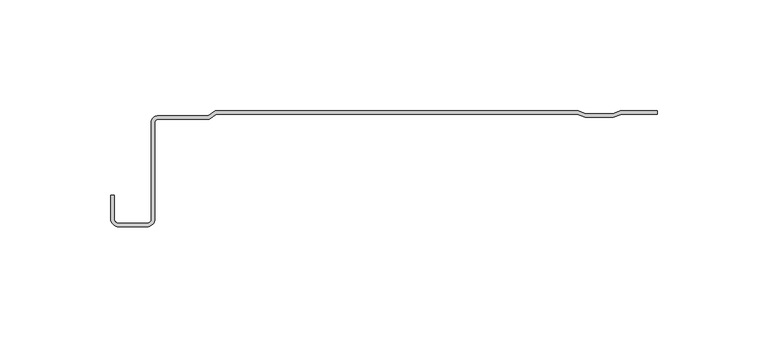
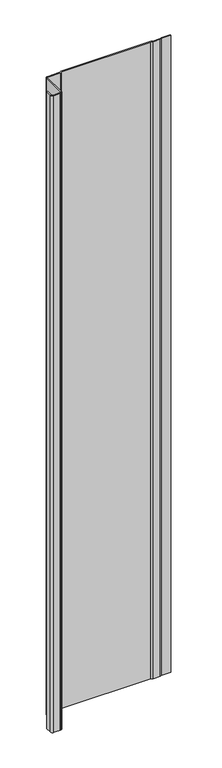
"""IFC4 building model written with IfcOpenShell, lengths in millimetres: plate geometry."""

import ifcopenshell
import ifcopenshell.guid

model = None  # the IFC model being written
_history = None  # IfcOwnerHistory: only IFC2X3 demands one
_inside = {}  # id of a spatial element -> (the spatial element, [elements in it])
_under = {}  # id of a project, library or spatial element -> (it, [spatial elements below it])
_declared = {}  # id of a project -> (the project, [libraries it declares])
_typed = {}  # id of a type object -> (the type object, [elements of that type])
_made_of = {}  # id of a material, layer set ... -> (it, [elements and type objects made of it])


def new_model(schema):
    """Start an empty IFC model of exactly this schema.

    Asked for "IFC4X3", IfcOpenShell would pick the latest addendum, in which some entities
    have other attributes; the version numbers below select the first issue.
    IFC2X3 requires an IfcOwnerHistory on every rooted entity: one is made here for all.
    """
    global model, _history
    if schema == "IFC4X3":
        model = ifcopenshell.file(schema_version=(4, 3, 0, 0))
    else:
        model = ifcopenshell.file(schema=schema)
    _inside.clear()
    _under.clear()
    _declared.clear()
    _typed.clear()
    _made_of.clear()
    _history = None
    if model.schema == "IFC2X3":
        org = make("IfcOrganization", Name="unknown")
        user = make(
            "IfcPersonAndOrganization",
            ThePerson=make("IfcPerson", FamilyName="unknown"),
            TheOrganization=org,
        )
        app = make(
            "IfcApplication",
            ApplicationDeveloper=org,
            Version="unknown",
            ApplicationFullName="unknown",
            ApplicationIdentifier="unknown",
        )
        _history = make(
            "IfcOwnerHistory",
            OwningUser=user,
            OwningApplication=app,
            ChangeAction="ADDED",
            CreationDate=0,
        )
    return model


def make(cls, **values):
    """One entity of the class cls with the attributes given. An attribute that is None is left unset."""
    return model.create_entity(
        cls, **{name: value for name, value in values.items() if value is not None}
    )


def rooted(cls, **values):
    """An entity with a GlobalId (a new one), such as an element, a storey or a relation."""
    return make(cls, GlobalId=ifcopenshell.guid.new(), OwnerHistory=_history, **values)


def si_unit(unit_type, name, prefix=None):
    """IfcSIUnit, for example si_unit("LENGTHUNIT", "METRE", prefix="MILLI")."""
    return make("IfcSIUnit", UnitType=unit_type, Prefix=prefix, Name=name)


def assignment(units):
    """IfcUnitAssignment: the units of a project."""
    return None if units is None else make("IfcUnitAssignment", Units=units)


def point(xyz):
    """IfcCartesianPoint."""
    return None if xyz is None else make("IfcCartesianPoint", Coordinates=xyz)


def direction(xyz):
    """IfcDirection."""
    return None if xyz is None else make("IfcDirection", DirectionRatios=xyz)


def frame(location, z_axis=None, x_axis=None):
    """IfcAxis2Placement3D, a coordinate frame: its origin and axes. An axis left out is left unset."""
    return make(
        "IfcAxis2Placement3D",
        Location=point(location),
        Axis=direction(z_axis),
        RefDirection=direction(x_axis),
    )


def frame_2d(location, x_axis=None):
    """IfcAxis2Placement2D, a coordinate frame in the plane: its origin and x axis."""
    return make(
        "IfcAxis2Placement2D", Location=point(location), RefDirection=direction(x_axis)
    )


def origin():
    """The frame at (0, 0, 0) with its axes left unset."""
    return frame((0.0, 0.0, 0.0))


def origin_with_axes():
    """The frame at (0, 0, 0) with the z axis (0, 0, 1) and the x axis (1, 0, 0) written out."""
    return frame((0.0, 0.0, 0.0), z_axis=(0.0, 0.0, 1.0), x_axis=(1.0, 0.0, 0.0))


def place(relative_to, where):
    """IfcLocalPlacement: puts the frame where relative to a parent placement (None: the world)."""
    return make(
        "IfcLocalPlacement", PlacementRelTo=relative_to, RelativePlacement=where
    )


def context(
    kind, dimensions, precision=None, world=None, true_north=None, identifier=None
):
    """IfcGeometricRepresentationContext, for example the 3D "Model" context."""
    return make(
        "IfcGeometricRepresentationContext",
        ContextIdentifier=identifier,
        ContextType=kind,
        CoordinateSpaceDimension=dimensions,
        Precision=precision,
        WorldCoordinateSystem=world,
        TrueNorth=true_north,
    )


def project(units=None, contexts=None):
    """IfcProject with its units and contexts."""
    return rooted(
        "IfcProject",
        Name="project",
        RepresentationContexts=contexts,
        UnitsInContext=assignment(units),
    )


def spatial(cls, under=None, at=None, **own):
    """A site, building, storey or space (cls), placed at a placement, below another one or the project."""
    s = rooted(cls, ObjectPlacement=at, **own)
    if under is not None:
        _under.setdefault(under.id(), (under, []))[1].append(s)
    return s


def polyline(points):
    """IfcPolyline through the points."""
    return make("IfcPolyline", Points=[point(p) for p in points])


def circle_curve(where, radius):
    """IfcCircle in the frame where."""
    return make("IfcCircle", Position=where, Radius=radius)


def trimmed(basis, trim1, trim2, sense, master):
    """IfcTrimmedCurve: the piece of a basis curve between two trims."""
    return make(
        "IfcTrimmedCurve",
        BasisCurve=basis,
        Trim1=trim1,
        Trim2=trim2,
        SenseAgreement=sense,
        MasterRepresentation=master,
    )


def segment(curve, same_sense, transition):
    """IfcCompositeCurveSegment."""
    return make(
        "IfcCompositeCurveSegment",
        Transition=transition,
        SameSense=same_sense,
        ParentCurve=curve,
    )


def composite_curve(segments, self_intersect=None):
    """IfcCompositeCurve: segments joined end to end."""
    return make("IfcCompositeCurve", Segments=segments, SelfIntersect=self_intersect)


def outline(outer, holes=None, kind="AREA"):
    """IfcArbitraryClosedProfileDef: a profile drawn as a closed curve; with holes, ...WithVoids."""
    if holes is None:
        return make("IfcArbitraryClosedProfileDef", ProfileType=kind, OuterCurve=outer)
    return make(
        "IfcArbitraryProfileDefWithVoids",
        ProfileType=kind,
        OuterCurve=outer,
        InnerCurves=holes,
    )


def extrude(swept, where, along, depth):
    """IfcExtrudedAreaSolid: the profile swept, set in the frame where, extruded along a direction by depth."""
    return make(
        "IfcExtrudedAreaSolid",
        SweptArea=swept,
        Position=where,
        ExtrudedDirection=direction(along),
        Depth=depth,
    )


def shape(context_of_items, identifier, shape_type, items):
    """IfcShapeRepresentation: the items that make up one representation, for example the "Body"."""
    return make(
        "IfcShapeRepresentation",
        ContextOfItems=context_of_items,
        RepresentationIdentifier=identifier,
        RepresentationType=shape_type,
        Items=items,
    )


def source(mapping_origin, context_of_items, identifier, shape_type, items):
    """IfcRepresentationMap: a shape defined once, which mapped items show again and again."""
    return make(
        "IfcRepresentationMap",
        MappingOrigin=mapping_origin,
        MappedRepresentation=shape(context_of_items, identifier, shape_type, items),
    )


def transform(
    local_origin,
    x_axis=None,
    y_axis=None,
    z_axis=None,
    scale=None,
    scale2=None,
    scale3=None,
    uniform=True,
):
    """IfcCartesianTransformationOperator3D, or its non-uniform kind. x_axis, y_axis, z_axis: its Axis1, 2, 3."""
    if uniform:
        return make(
            "IfcCartesianTransformationOperator3D",
            Axis1=direction(x_axis),
            Axis2=direction(y_axis),
            LocalOrigin=point(local_origin),
            Scale=scale,
            Axis3=direction(z_axis),
        )
    return make(
        "IfcCartesianTransformationOperator3DnonUniform",
        Axis1=direction(x_axis),
        Axis2=direction(y_axis),
        LocalOrigin=point(local_origin),
        Scale=scale,
        Axis3=direction(z_axis),
        Scale2=scale2,
        Scale3=scale3,
    )


def mapped(mapping_source, mapping_target):
    """IfcMappedItem: shows the shape of a source again, moved by a transform."""
    return make(
        "IfcMappedItem", MappingSource=mapping_source, MappingTarget=mapping_target
    )


def made_of(thing, what):
    """Note that an element or type object is made of a material, layer set ...; save() writes the relation."""
    if what is not None:
        _made_of.setdefault(what.id(), (what, []))[1].append(thing)
    return thing


def element(
    cls,
    number,
    at=None,
    inside=None,
    cuts=None,
    type_object=None,
    material=None,
    context=None,
    identifier="Body",
    shape_type=None,
    held_by="IfcProductDefinitionShape",
    body=None,
    shapes=None,
    **own,
):
    """One element of the class cls, such as IfcWall. Its Tag is "e" and its number.

    at: its placement. inside: the storey or other place that contains it. cuts: it is an
    opening in that element (IfcRelVoidsElement). A single representation is given by context,
    identifier, shape_type and body (its items); several are given by shapes. held_by: the class
    of the entity that holds the representations. save() writes the other relations.
    """
    e = rooted(cls, Tag="e%d" % number, ObjectPlacement=at, **own)
    if body is not None:
        shapes = [shape(context, identifier, shape_type, body)]
    if shapes is not None:
        e.Representation = make(held_by, Representations=shapes)
    if inside is not None:
        _inside.setdefault(inside.id(), (inside, []))[1].append(e)
    if cuts is not None:
        rooted(
            "IfcRelVoidsElement", RelatingBuildingElement=cuts, RelatedOpeningElement=e
        )
    if type_object is not None:
        _typed.setdefault(type_object.id(), (type_object, []))[1].append(e)
    return made_of(e, material)


def aggregate(whole, parts):
    """IfcRelAggregates: a whole, such as a stair, and the parts it consists of."""
    return rooted("IfcRelAggregates", RelatingObject=whole, RelatedObjects=parts)


def save(model, path):
    """Write the relations noted so far, then the file.

    IfcRelAggregates (storeys below a building ...), IfcRelContainedInSpatialStructure (elements
    in a storey), IfcRelDefinesByType, IfcRelAssociatesMaterial and IfcRelDeclares: one each for
    every whole, place, type object, material and project.
    """
    for whole, parts in _under.values():
        aggregate(whole, parts)
    for where, things in _inside.values():
        rooted(
            "IfcRelContainedInSpatialStructure",
            RelatedElements=things,
            RelatingStructure=where,
        )
    for kind, things in _typed.values():
        rooted("IfcRelDefinesByType", RelatedObjects=things, RelatingType=kind)
    for what, things in _made_of.values():
        rooted("IfcRelAssociatesMaterial", RelatedObjects=things, RelatingMaterial=what)
    for by, libraries in _declared.values():
        rooted("IfcRelDeclares", RelatingContext=by, RelatedDefinitions=libraries)
    model.write(path)


def plate_917b77f8(model_context):
    return source(origin(), model_context, "Body", "SweptSolid", [
        extrude(outline(composite_curve([segment(polyline([(98.7126222, -1.5980513), (95.0483672, -3.0637533), (82.2631143, -3.0637533), (78.5988593, -1.5980513), (-84.3444799, -1.5980513), (-87.5264404, -3.9845217), (-111.0104877, -3.9845217)]), True, "CONTINUOUS"), segment(trimmed(circle_curve(frame_2d((-111.0104877, -5.126492)), 1.1419703), [point((-111.0104877, -3.9845217))], [point((-112.152458, -5.126492))], True, "CARTESIAN"), True, "CONTINUOUS"), segment(polyline([(-112.152458, -5.126492), (-112.152458, -48.8784494)]), True, "CONTINUOUS"), segment(trimmed(circle_curve(frame_2d((-115.7834285, -48.8784494)), 3.6309705), [point((-112.152458, -48.8784494))], [point((-115.7834285, -52.5094199))], False, "CARTESIAN"), True, "CONTINUOUS"), segment(polyline([(-115.7834285, -52.5094199), (-128.5112707, -52.5094199)]), True, "CONTINUOUS"), segment(trimmed(circle_curve(frame_2d((-128.5112707, -48.8784494)), 3.6309705), [point((-128.5112707, -52.5094199))], [point((-132.1422412, -48.8784494))], False, "CARTESIAN"), True, "CONTINUOUS"), segment(polyline([(-132.1422412, -48.8784494), (-132.1422412, -38.1835265), (-130.5441899, -38.1835265), (-130.5441899, -48.8784494)]), True, "CONTINUOUS"), segment(trimmed(circle_curve(frame_2d((-128.5112707, -48.8784494)), 2.0329192), [point((-130.5441899, -48.8784494))], [point((-128.5112707, -50.9113686))], True, "CARTESIAN"), True, "CONTINUOUS"), segment(polyline([(-128.5112707, -50.9113686), (-115.7834285, -50.9113686)]), True, "CONTINUOUS"), segment(trimmed(circle_curve(frame_2d((-115.7834285, -48.8784494)), 2.0329192), [point((-115.7834285, -50.9113686))], [point((-113.7505093, -48.8784494))], True, "CARTESIAN"), True, "CONTINUOUS"), segment(polyline([(-113.7505093, -48.8784494), (-113.7505093, -5.126492)]), True, "CONTINUOUS"), segment(trimmed(circle_curve(frame_2d((-111.0104877, -5.126492)), 2.7400216), [point((-113.7505093, -5.126492))], [point((-111.0104877, -2.3864704))], False, "CARTESIAN"), True, "CONTINUOUS"), segment(polyline([(-111.0104877, -2.3864704), (-88.0591242, -2.3864704), (-84.8771636, 0.0), (79.122811, 0.0), (82.4950553, -1.3488977), (94.8164261, -1.3488977), (98.1886704, 0.0), (114.9042607, 0.0), (114.9042607, -1.5980513), (98.7126222, -1.5980513)]), True, "CONTINUOUS")], self_intersect=False)), origin_with_axes(), (0.0, 0.0, 1.0), 1228.3559792),
    ])


if __name__ == "__main__":
    model = new_model("IFC4")
    model_context = context("Model", 3, world=origin())
    ifc_project = project(units=[si_unit("LENGTHUNIT", "METRE", prefix="MILLI")], contexts=[model_context])
    site = spatial("IfcSite", under=ifc_project)
    building = spatial("IfcBuilding", under=site)
    placement = place(None, origin())
    plate_shape = plate_917b77f8(model_context)
    element("IfcPlate", 1, at=placement, inside=building, context=model_context, shape_type="MappedRepresentation", body=[
        mapped(plate_shape, transform((0.0, 0.0, 0.0), x_axis=(1.0, 0.0, 0.0), y_axis=(0.0, 1.0, 0.0), z_axis=(0.0, 0.0, 1.0))),
    ])
    save(model, "model.ifc")
